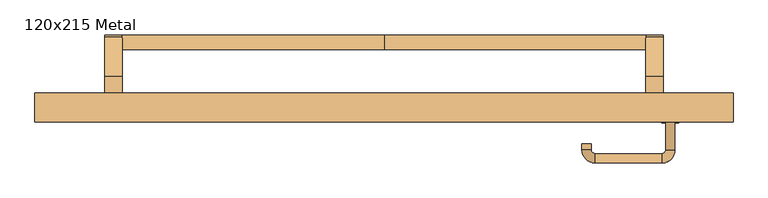
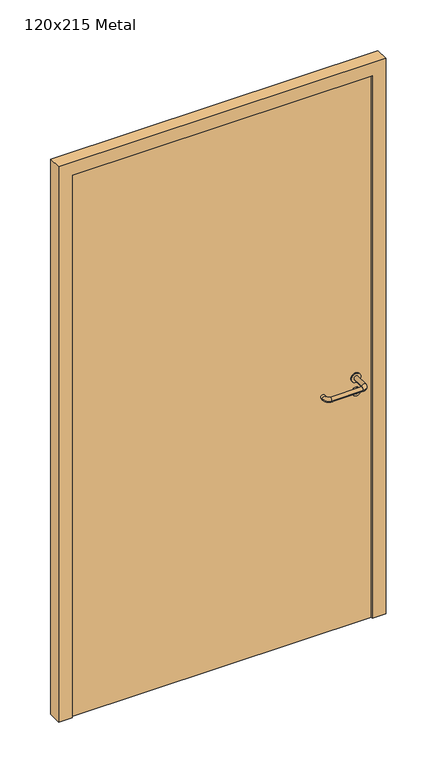
"""IFC4 building model written with IfcOpenShell, lengths in millimetres: door geometry, 120x215 Metal."""

from ifc_helpers import new_model, si_unit, point, frame, frame_2d, origin, origin_with_axes, place, context, project, spatial, polyline, circle_curve, ellipse_curve, trimmed, segment, composite_curve, outline, extrude, source, transform, mapped, element, save
from ifc_brep_helpers import plane_surface, cylinder_surface, revolved_surface, advanced_brep


def door_120x215_metal_30412793(model_context):
    return source(origin(), model_context, "Body", "SolidModel", [
        advanced_brep(
        [(-450.0, 65.4171435, 861.5304884), (-450.0, 90.4171435, 861.5304884), (0.0, 90.4171435, 861.5304884), (0.0, 65.4171435, 861.5304884), (450.0, 65.4171435, 861.5304884), (450.0, 90.4171435, 861.5304884)],
        [
            (0, 1, circle_curve(frame((-450.0, 77.9171435, 861.5304884), z_axis=(-1.0, 0.0, 0.0), x_axis=(0.0, 1.0, 0.0)), 12.5)),
            (1, 0, circle_curve(frame((-450.0, 77.9171435, 861.5304884), z_axis=(-1.0, 0.0, 0.0), x_axis=(0.0, 1.0, 0.0)), 12.5)),
            (1, 2),
            (2, 3, circle_curve(frame((0.0, 77.9171435, 861.5304884), z_axis=(-1.0, 0.0, 0.0), x_axis=(0.0, 1.0, 0.0)), 12.5)),
            (3, 0),
            (3, 2, circle_curve(frame((0.0, 77.9171435, 861.5304884), z_axis=(-1.0, 0.0, 0.0), x_axis=(0.0, 1.0, 0.0)), 12.5)),
            (4, 5, circle_curve(frame((450.0, 77.9171435, 861.5304884), z_axis=(1.0, 0.0, 0.0), x_axis=(0.0, 1.0, 0.0)), 12.5)),
            (5, 4, circle_curve(frame((450.0, 77.9171435, 861.5304884), z_axis=(1.0, 0.0, 0.0), x_axis=(0.0, 1.0, 0.0)), 12.5)),
            (4, 3),
            (2, 5),
        ],
        [
            plane_surface(frame((-450.0, 90.4171435, 861.5304884), z_axis=(-1.0, 0.0, 0.0), x_axis=(0.0, 0.0, -1.0))),
            cylinder_surface(frame((-450.0, 77.9171435, 861.5304884), z_axis=(1.0, 0.0, 0.0), x_axis=(0.0, 1.0, 0.0)), 12.5),
            plane_surface(frame((450.0, 90.4171435, 861.5304884), z_axis=(1.0, 0.0, 0.0), x_axis=(0.0, 0.0, 1.0))),
            cylinder_surface(frame((0.0, 77.9171435, 861.5304884), z_axis=(1.0, 0.0, 0.0), x_axis=(0.0, 1.0, 0.0)), 12.5),
        ],
        [
            (0, [[1, 2]]),
            (1, [[-2, 3, 4, 5]]),
            (1, [[-1, -5, 6, -3]]),
            (2, [[7, 8]]),
            (3, [[-7, 9, -4, 10]]),
            (3, [[-8, -10, -6, -9]]),
        ],
    ),
        extrude(outline(composite_curve([segment(polyline([(20.0, 950.0), (87.492699, 869.5653335)]), True, "CONTINUOUS"), segment(trimmed(circle_curve(frame_2d((77.9171435, 861.5304884)), 12.5), [point((87.492699, 869.5653335))], [point((68.3415879, 853.4956432))], False, "CARTESIAN"), True, "CONTINUOUS"), segment(polyline([(68.3415879, 853.4956432), (18.5486991, 895.2768379), (-25.0, 895.2768379), (-25.0, 950.0), (20.0, 950.0)]), True, "CONTINUOUS")], self_intersect=False)), frame((-480.0, 0.0, 0.0), z_axis=(1.0, 0.0, 0.0), x_axis=(0.0, 1.0, 0.0)), (0.0, 0.0, 1.0), 30.0),
        extrude(outline(composite_curve([segment(polyline([(20.0, 950.0), (87.492699, 869.5653335)]), True, "CONTINUOUS"), segment(trimmed(circle_curve(frame_2d((77.9171435, 861.5304884)), 12.5), [point((87.492699, 869.5653335))], [point((68.3415879, 853.4956432))], False, "CARTESIAN"), True, "CONTINUOUS"), segment(polyline([(68.3415879, 853.4956432), (18.5486991, 895.2768379), (-25.0, 895.2768379), (-25.0, 950.0), (20.0, 950.0)]), True, "CONTINUOUS")], self_intersect=False)), frame((450.0, 0.0, 0.0), z_axis=(1.0, 0.0, 0.0), x_axis=(0.0, 1.0, 0.0)), (0.0, 0.0, 1.0), 30.0),
        extrude(outline(composite_curve([segment(trimmed(circle_curve(frame_2d((0.0, 15.0)), 15.0), [point((0.0, 30.0))], [point((0.0, 0.0))], False, "CARTESIAN"), True, "CONTINUOUS"), segment(trimmed(circle_curve(frame_2d((0.0, 15.0)), 15.0), [point((0.0, 0.0))], [point((0.0, 30.0))], False, "CARTESIAN"), True, "CONTINUOUS")], self_intersect=False), holes=[composite_curve([segment(trimmed(circle_curve(frame_2d((-4.7772515, 14.9398032)), 2.0), [point((-4.7772515, 16.9398032))], [point((-4.7772515, 12.9398032))], True, "CARTESIAN"), True, "CONTINUOUS"), segment(polyline([(-4.7772515, 12.9398032), (5.2227485, 12.9398032)]), True, "CONTINUOUS"), segment(trimmed(circle_curve(frame_2d((5.2227485, 14.9398032)), 2.0), [point((5.2227485, 12.9398032))], [point((5.2227485, 16.9398032))], True, "CARTESIAN"), True, "CONTINUOUS"), segment(polyline([(5.2227485, 16.9398032), (-4.7772515, 16.9398032)]), True, "CONTINUOUS")], self_intersect=False)]), frame((477.0, -61.35, 897.3605726), z_axis=(-1.8870575173328306e-12, 1.0, 0.0), x_axis=(0.0, 0.0, 1.0)), (0.0, 0.0, 1.0), 6.35),
        extrude(outline(composite_curve([segment(trimmed(circle_curve(frame_2d((0.0, 17.526)), 17.526), [point((0.0, 35.052))], [point((0.0, 0.0))], False, "CARTESIAN"), True, "CONTINUOUS"), segment(trimmed(circle_curve(frame_2d((0.0, 17.526)), 17.526), [point((0.0, 0.0))], [point((0.0, 35.052))], False, "CARTESIAN"), True, "CONTINUOUS")], self_intersect=False)), frame((474.474, -58.175, 950.0), z_axis=(-1.8870575173328306e-12, 1.0, 0.0), x_axis=(0.0, 0.0, 1.0)), (0.0, 0.0, 1.0), 3.175),
        advanced_brep(
        [(500.0, -55.0, 950.0), (484.0, -55.0, 950.0), (484.0, -108.0, 950.0), (500.0, -108.0, 950.0), (477.8578644, -114.1421356, 950.0), (477.8578644, -130.1421356, 950.0), (362.8578644, -114.1421356, 950.0), (362.8578644, -130.1421356, 950.0), (356.008622, -107.2928932, 950.0), (340.008622, -107.2928932, 950.0), (340.008622, -97.2928932, 950.0), (356.008622, -97.2928932, 950.0)],
        [
            (0, 1, circle_curve(frame((492.0, -55.0, 950.0), z_axis=(-1.888672253512351e-12, 1.0, 0.0), x_axis=(-1.0, -1.888672253512351e-12, 0.0)), 8.0)),
            (1, 0, circle_curve(frame((492.0, -55.0, 950.0), z_axis=(-1.888672253512351e-12, 1.0, 0.0), x_axis=(-1.0, -1.888672253512351e-12, 0.0)), 8.0)),
            (1, 2),
            (2, 3, circle_curve(frame((492.0, -108.0, 950.0), z_axis=(-1.888672253512351e-12, 1.0, 0.0), x_axis=(-1.0, -1.888672253512351e-12, 0.0)), 8.0)),
            (3, 0),
            (3, 2, circle_curve(frame((492.0, -108.0, 950.0), z_axis=(-1.888672253512351e-12, 1.0, 0.0), x_axis=(-1.0, -1.888672253512351e-12, 0.0)), 8.0)),
            (4, 5, circle_curve(frame((477.8578644, -122.1421356, 950.0), z_axis=(1.0, 1.913702061528922e-12, 0.0), x_axis=(-1.913702061528922e-12, 1.0, 0.0)), 8.0)),
            (5, 3, circle_curve(frame((477.8578644, -108.0, 950.0), z_axis=(0.0, 0.0, 1.0), x_axis=(1.0, 1.880717803715015e-12, 0.0)), 22.1421356)),
            (2, 4, circle_curve(frame((477.8578644, -108.0, 950.0), z_axis=(0.0, 0.0, -1.0), x_axis=(1.0, 1.880717803715015e-12, 0.0)), 6.1421356)),
            (5, 4, circle_curve(frame((477.8578644, -122.1421356, 950.0), z_axis=(1.0, 1.913702061528922e-12, 0.0), x_axis=(-1.913702061528922e-12, 1.0, 0.0)), 8.0)),
            (4, 6),
            (6, 7, circle_curve(frame((362.8578644, -122.1421356, 950.0), z_axis=(1.0, 1.913719828541269e-12, 0.0), x_axis=(-1.913719828541269e-12, 1.0, 0.0)), 8.0)),
            (7, 5),
            (7, 6, circle_curve(frame((362.8578644, -122.1421356, 950.0), z_axis=(1.0, 1.913719828541269e-12, 0.0), x_axis=(-1.913719828541269e-12, 1.0, 0.0)), 8.0)),
            (8, 9, circle_curve(frame((348.008622, -107.2928932, 950.0), z_axis=(1.890226565746826e-12, -1.0, 0.0), x_axis=(1.0, 1.890226565746826e-12, 0.0)), 8.0)),
            (9, 7, circle_curve(frame((362.8578644, -107.2928932, 950.0), z_axis=(0.0, 0.0, 1.0), x_axis=(1.9120873253494017e-12, -1.0, 0.0)), 22.8492424)),
            (6, 8, circle_curve(frame((362.8578644, -107.2928932, 950.0), z_axis=(0.0, 0.0, -1.0), x_axis=(1.9120873253494017e-12, -1.0, 0.0)), 6.8492424)),
            (9, 8, circle_curve(frame((348.008622, -107.2928932, 950.0), z_axis=(1.890670654956676e-12, -1.0, 0.0), x_axis=(1.0, 1.890670654956676e-12, 0.0)), 8.0)),
            (10, 11, circle_curve(frame((348.008622, -97.2928932, 950.0), z_axis=(-1.8903642334018795e-12, 1.0, 0.0), x_axis=(1.0, 1.8903642334018795e-12, 0.0)), 8.0)),
            (11, 10, circle_curve(frame((348.008622, -97.2928932, 950.0), z_axis=(-1.8903642334018795e-12, 1.0, 0.0), x_axis=(1.0, 1.8903642334018795e-12, 0.0)), 8.0)),
            (8, 11),
            (10, 9),
        ],
        [
            plane_surface(frame((492.0, -55.0, 170.0), z_axis=(-1.8870575173328306e-12, 1.0, 0.0), x_axis=(0.0, 0.0, 1.0))),
            cylinder_surface(frame((492.0, -55.0, 950.0), z_axis=(-1.888672253512351e-12, 1.0, 0.0), x_axis=(-1.0, -1.888672253512351e-12, 0.0)), 8.0),
            revolved_surface(trimmed(ellipse_curve(frame((492.0, -108.0, 950.0), z_axis=(1.8823325398945356e-12, -1.0, 0.0), x_axis=(-1.0, -1.8823325398945356e-12, 0.0)), 8.0, 8.0), [point((500.0, -108.0, 950.0))], [point((484.0, -108.0, 950.0))], True, "CARTESIAN"), (477.8578644, -108.0, 170.0), (0.0, 0.0, 1.0)),
            revolved_surface(trimmed(ellipse_curve(frame((492.0, -108.0, 950.0), z_axis=(1.8823325398945356e-12, -1.0, 0.0), x_axis=(-1.0, -1.8823325398945356e-12, 0.0)), 8.0, 8.0), [point((484.0, -108.0, 950.0))], [point((500.0, -108.0, 950.0))], True, "CARTESIAN"), (477.8578644, -108.0, 170.0), (0.0, 0.0, 1.0)),
            cylinder_surface(frame((477.8578644, -122.1421356, 950.0), z_axis=(1.0, 1.913719828541269e-12, 0.0), x_axis=(-1.913719828541269e-12, 1.0, 0.0)), 8.0),
            revolved_surface(trimmed(ellipse_curve(frame((362.8578644, -122.1421356, 950.0), z_axis=(-1.0, -1.913702061528922e-12, 0.0), x_axis=(-1.913702061528922e-12, 1.0, 0.0)), 8.0, 8.0), [point((362.8578644, -130.1421356, 950.0))], [point((362.8578644, -114.1421356, 950.0))], True, "CARTESIAN"), (362.8578644, -107.2928932, 170.0), (0.0, 0.0, 1.0)),
            revolved_surface(trimmed(ellipse_curve(frame((362.8578644, -122.1421356, 950.0), z_axis=(-1.0, -1.913702061528922e-12, 0.0), x_axis=(-1.913702061528922e-12, 1.0, 0.0)), 8.0, 8.0), [point((362.8578644, -114.1421356, 950.0))], [point((362.8578644, -130.1421356, 950.0))], True, "CARTESIAN"), (362.8578644, -107.2928932, 170.0), (0.0, 0.0, 1.0)),
            plane_surface(frame((348.008622, -97.2928932, 170.0), z_axis=(-1.8887494972223595e-12, 1.0, 0.0), x_axis=(0.0, 0.0, 1.0))),
            cylinder_surface(frame((348.008622, -107.2928932, 950.0), z_axis=(1.8903642334018795e-12, -1.0, 0.0), x_axis=(1.0, 1.8903642334018795e-12, 0.0)), 8.0),
        ],
        [
            (0, [[1, 2]]),
            (1, [[3, 4, 5, -2]]),
            (1, [[-5, 6, -3, -1]]),
            (2, [[7, 8, -4, 9]]),
            (3, [[10, -9, -6, -8]]),
            (4, [[11, 12, 13, -7]]),
            (4, [[-13, 14, -11, -10]]),
            (5, [[15, 16, -12, 17]]),
            (6, [[18, -17, -14, -16]]),
            (7, [[19, 20]]),
            (8, [[21, -19, 22, -15]]),
            (8, [[-22, -20, -21, -18]]),
        ],
    ),
        extrude(outline(polyline([(2100.0, 550.0), (0.0, 550.0), (0.0, 600.0), (2150.0, 600.0), (2150.0, -600.0), (0.0, -600.0), (0.0, -550.0), (2100.0, -550.0), (2100.0, 550.0)])), frame((0.0, -60.0, 0.0), z_axis=(0.0, 1.0, 0.0), x_axis=(0.0, 0.0, 1.0)), (0.0, 0.0, 1.0), 50.0),
        extrude(outline(polyline([(-550.0, -55.0), (-550.0, -25.0), (550.0, -25.0), (550.0, -55.0), (-550.0, -55.0)])), origin_with_axes(), (0.0, 0.0, 1.0), 2100.0),
    ])


if __name__ == "__main__":
    model = new_model("IFC4")
    model_context = context("Model", 3, world=origin())
    ifc_project = project(units=[si_unit("LENGTHUNIT", "METRE", prefix="MILLI")], contexts=[model_context])
    site = spatial("IfcSite", under=ifc_project)
    building = spatial("IfcBuilding", under=site)
    placement = place(None, origin())
    door_120x215_metal_shape = door_120x215_metal_30412793(model_context)
    element("IfcDoor", 1, ObjectType="120x215 Metal", at=placement, inside=building, context=model_context, shape_type="MappedRepresentation", body=[
        mapped(door_120x215_metal_shape, transform((0.0, 0.0, 0.0), x_axis=(1.0, 0.0, 0.0), y_axis=(0.0, 1.0, 0.0), z_axis=(0.0, 0.0, 1.0))),
    ])
    save(model, "model.ifc")
